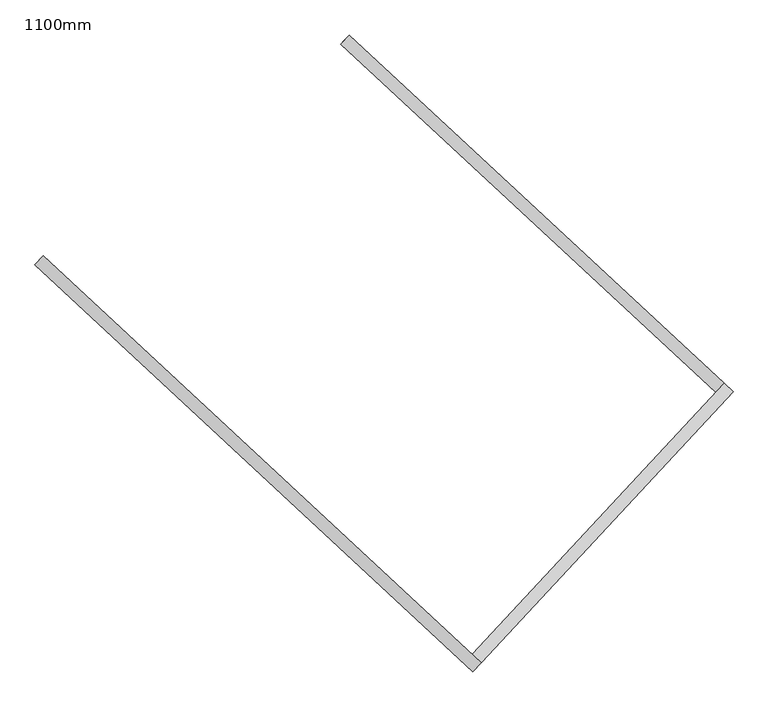
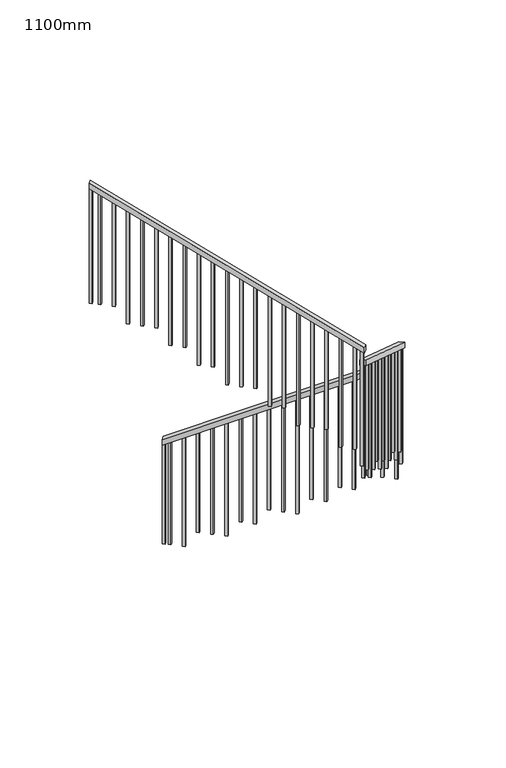
"""IFC4 building model written with IfcOpenShell, lengths in millimetres: railing geometry, 1100mm."""

import ifcopenshell
import ifcopenshell.guid

model = None  # the IFC model being written
_history = None  # IfcOwnerHistory: only IFC2X3 demands one
_inside = {}  # id of a spatial element -> (the spatial element, [elements in it])
_under = {}  # id of a project, library or spatial element -> (it, [spatial elements below it])
_declared = {}  # id of a project -> (the project, [libraries it declares])
_typed = {}  # id of a type object -> (the type object, [elements of that type])
_made_of = {}  # id of a material, layer set ... -> (it, [elements and type objects made of it])


def new_model(schema):
    """Start an empty IFC model of exactly this schema.

    Asked for "IFC4X3", IfcOpenShell would pick the latest addendum, in which some entities
    have other attributes; the version numbers below select the first issue.
    IFC2X3 requires an IfcOwnerHistory on every rooted entity: one is made here for all.
    """
    global model, _history
    if schema == "IFC4X3":
        model = ifcopenshell.file(schema_version=(4, 3, 0, 0))
    else:
        model = ifcopenshell.file(schema=schema)
    _inside.clear()
    _under.clear()
    _declared.clear()
    _typed.clear()
    _made_of.clear()
    _history = None
    if model.schema == "IFC2X3":
        org = make("IfcOrganization", Name="unknown")
        user = make(
            "IfcPersonAndOrganization",
            ThePerson=make("IfcPerson", FamilyName="unknown"),
            TheOrganization=org,
        )
        app = make(
            "IfcApplication",
            ApplicationDeveloper=org,
            Version="unknown",
            ApplicationFullName="unknown",
            ApplicationIdentifier="unknown",
        )
        _history = make(
            "IfcOwnerHistory",
            OwningUser=user,
            OwningApplication=app,
            ChangeAction="ADDED",
            CreationDate=0,
        )
    return model


def make(cls, **values):
    """One entity of the class cls with the attributes given. An attribute that is None is left unset."""
    return model.create_entity(
        cls, **{name: value for name, value in values.items() if value is not None}
    )


def rooted(cls, **values):
    """An entity with a GlobalId (a new one), such as an element, a storey or a relation."""
    return make(cls, GlobalId=ifcopenshell.guid.new(), OwnerHistory=_history, **values)


def si_unit(unit_type, name, prefix=None):
    """IfcSIUnit, for example si_unit("LENGTHUNIT", "METRE", prefix="MILLI")."""
    return make("IfcSIUnit", UnitType=unit_type, Prefix=prefix, Name=name)


def assignment(units):
    """IfcUnitAssignment: the units of a project."""
    return None if units is None else make("IfcUnitAssignment", Units=units)


def point(xyz):
    """IfcCartesianPoint."""
    return None if xyz is None else make("IfcCartesianPoint", Coordinates=xyz)


def direction(xyz):
    """IfcDirection."""
    return None if xyz is None else make("IfcDirection", DirectionRatios=xyz)


def frame(location, z_axis=None, x_axis=None):
    """IfcAxis2Placement3D, a coordinate frame: its origin and axes. An axis left out is left unset."""
    return make(
        "IfcAxis2Placement3D",
        Location=point(location),
        Axis=direction(z_axis),
        RefDirection=direction(x_axis),
    )


def origin():
    """The frame at (0, 0, 0) with its axes left unset."""
    return frame((0.0, 0.0, 0.0))


def place(relative_to, where):
    """IfcLocalPlacement: puts the frame where relative to a parent placement (None: the world)."""
    return make(
        "IfcLocalPlacement", PlacementRelTo=relative_to, RelativePlacement=where
    )


def context(
    kind, dimensions, precision=None, world=None, true_north=None, identifier=None
):
    """IfcGeometricRepresentationContext, for example the 3D "Model" context."""
    return make(
        "IfcGeometricRepresentationContext",
        ContextIdentifier=identifier,
        ContextType=kind,
        CoordinateSpaceDimension=dimensions,
        Precision=precision,
        WorldCoordinateSystem=world,
        TrueNorth=true_north,
    )


def project(units=None, contexts=None):
    """IfcProject with its units and contexts."""
    return rooted(
        "IfcProject",
        Name="project",
        RepresentationContexts=contexts,
        UnitsInContext=assignment(units),
    )


def spatial(cls, under=None, at=None, **own):
    """A site, building, storey or space (cls), placed at a placement, below another one or the project."""
    s = rooted(cls, ObjectPlacement=at, **own)
    if under is not None:
        _under.setdefault(under.id(), (under, []))[1].append(s)
    return s


def polyline(points):
    """IfcPolyline through the points."""
    return make("IfcPolyline", Points=[point(p) for p in points])


def outline(outer, holes=None, kind="AREA"):
    """IfcArbitraryClosedProfileDef: a profile drawn as a closed curve; with holes, ...WithVoids."""
    if holes is None:
        return make("IfcArbitraryClosedProfileDef", ProfileType=kind, OuterCurve=outer)
    return make(
        "IfcArbitraryProfileDefWithVoids",
        ProfileType=kind,
        OuterCurve=outer,
        InnerCurves=holes,
    )


def extrude(swept, where, along, depth):
    """IfcExtrudedAreaSolid: the profile swept, set in the frame where, extruded along a direction by depth."""
    return make(
        "IfcExtrudedAreaSolid",
        SweptArea=swept,
        Position=where,
        ExtrudedDirection=direction(along),
        Depth=depth,
    )


def shape(context_of_items, identifier, shape_type, items):
    """IfcShapeRepresentation: the items that make up one representation, for example the "Body"."""
    return make(
        "IfcShapeRepresentation",
        ContextOfItems=context_of_items,
        RepresentationIdentifier=identifier,
        RepresentationType=shape_type,
        Items=items,
    )


def source(mapping_origin, context_of_items, identifier, shape_type, items):
    """IfcRepresentationMap: a shape defined once, which mapped items show again and again."""
    return make(
        "IfcRepresentationMap",
        MappingOrigin=mapping_origin,
        MappedRepresentation=shape(context_of_items, identifier, shape_type, items),
    )


def transform(
    local_origin,
    x_axis=None,
    y_axis=None,
    z_axis=None,
    scale=None,
    scale2=None,
    scale3=None,
    uniform=True,
):
    """IfcCartesianTransformationOperator3D, or its non-uniform kind. x_axis, y_axis, z_axis: its Axis1, 2, 3."""
    if uniform:
        return make(
            "IfcCartesianTransformationOperator3D",
            Axis1=direction(x_axis),
            Axis2=direction(y_axis),
            LocalOrigin=point(local_origin),
            Scale=scale,
            Axis3=direction(z_axis),
        )
    return make(
        "IfcCartesianTransformationOperator3DnonUniform",
        Axis1=direction(x_axis),
        Axis2=direction(y_axis),
        LocalOrigin=point(local_origin),
        Scale=scale,
        Axis3=direction(z_axis),
        Scale2=scale2,
        Scale3=scale3,
    )


def mapped(mapping_source, mapping_target):
    """IfcMappedItem: shows the shape of a source again, moved by a transform."""
    return make(
        "IfcMappedItem", MappingSource=mapping_source, MappingTarget=mapping_target
    )


def made_of(thing, what):
    """Note that an element or type object is made of a material, layer set ...; save() writes the relation."""
    if what is not None:
        _made_of.setdefault(what.id(), (what, []))[1].append(thing)
    return thing


def element(
    cls,
    number,
    at=None,
    inside=None,
    cuts=None,
    type_object=None,
    material=None,
    context=None,
    identifier="Body",
    shape_type=None,
    held_by="IfcProductDefinitionShape",
    body=None,
    shapes=None,
    **own,
):
    """One element of the class cls, such as IfcWall. Its Tag is "e" and its number.

    at: its placement. inside: the storey or other place that contains it. cuts: it is an
    opening in that element (IfcRelVoidsElement). A single representation is given by context,
    identifier, shape_type and body (its items); several are given by shapes. held_by: the class
    of the entity that holds the representations. save() writes the other relations.
    """
    e = rooted(cls, Tag="e%d" % number, ObjectPlacement=at, **own)
    if body is not None:
        shapes = [shape(context, identifier, shape_type, body)]
    if shapes is not None:
        e.Representation = make(held_by, Representations=shapes)
    if inside is not None:
        _inside.setdefault(inside.id(), (inside, []))[1].append(e)
    if cuts is not None:
        rooted(
            "IfcRelVoidsElement", RelatingBuildingElement=cuts, RelatedOpeningElement=e
        )
    if type_object is not None:
        _typed.setdefault(type_object.id(), (type_object, []))[1].append(e)
    return made_of(e, material)


def aggregate(whole, parts):
    """IfcRelAggregates: a whole, such as a stair, and the parts it consists of."""
    return rooted("IfcRelAggregates", RelatingObject=whole, RelatedObjects=parts)


def save(model, path):
    """Write the relations noted so far, then the file.

    IfcRelAggregates (storeys below a building ...), IfcRelContainedInSpatialStructure (elements
    in a storey), IfcRelDefinesByType, IfcRelAssociatesMaterial and IfcRelDeclares: one each for
    every whole, place, type object, material and project.
    """
    for whole, parts in _under.values():
        aggregate(whole, parts)
    for where, things in _inside.values():
        rooted(
            "IfcRelContainedInSpatialStructure",
            RelatedElements=things,
            RelatingStructure=where,
        )
    for kind, things in _typed.values():
        rooted("IfcRelDefinesByType", RelatedObjects=things, RelatingType=kind)
    for what, things in _made_of.values():
        rooted("IfcRelAssociatesMaterial", RelatedObjects=things, RelatingMaterial=what)
    for by, libraries in _declared.values():
        rooted("IfcRelDeclares", RelatingContext=by, RelatedDefinitions=libraries)
    model.write(path)


def railing_1100mm_ddf0c5ac(model_context):
    return source(origin(), model_context, "Body", "SweptSolid", [
        extrude(outline(polyline([(27.7777778, -50.0000001), (0.0, 0.0), (2374.1723105, 0.0), (2401.9500883, -50.0000001), (27.7777778, -50.0000001)])), frame((-224137.7930562, 1139.9900228, 5889.4687214), z_axis=(0.6805831972167078, 0.7326708071612271, 0.0), x_axis=(0.6404695170817017, -0.5949367538529262, 0.48564293117894203)), (0.0, 0.0, 1.0), 50.0),
        extrude(outline(polyline([(-27.7777778, -50.0), (0.0, 0.0), (1716.853524, 0.0), (1689.0757462, -50.0000001), (-27.7777778, -50.0)])), frame((-222546.5453628, -269.8879642, 7265.8888889), z_axis=(-0.7326708071603808, 0.6805831972176187, 0.0), x_axis=(-0.5949367538540707, -0.6404695170813348, 0.4856429311780238)), (0.0, 0.0, 1.0), 50.0),
        extrude(outline(polyline([(-27.7777778, -50.0), (0.0, 0.0), (2774.5579271, 0.0), (2746.7801493, -50.0), (-27.7777778, -50.0)])), frame((-223601.9937851, -1406.113852, 8265.8888889), z_axis=(0.6805831972168361, 0.7326708071611079, 0.0), x_axis=(-0.6404695170818686, 0.5949367538532909, 0.48564293117827506)), (0.0, 0.0, 1.0), 50.0),
        extrude(outline(polyline([(1260.6353881, -25.0), (106.9444445, -25.0), (93.0555556, 0.0), (1260.6353881, 0.0), (1260.6353881, -25.0)])), frame((-225315.2628919, 202.4150466, 9607.3020548), z_axis=(0.6805831972168364, 0.7326708071611077, 0.0), x_axis=(0.0, 0.0, -1.0)), (0.0, 0.0, 1.0), 25.0),
        extrude(outline(polyline([(1191.1909436, -25.0), (106.9444444, -25.0), (93.0555555, 0.0), (1191.1909436, 0.0), (1191.1909436, -25.0)])), frame((-225223.6790411, 117.3421469, 9537.8576103), z_axis=(0.6805831972168364, 0.7326708071611077, 0.0), x_axis=(0.0, 0.0, -1.0)), (0.0, 0.0, 1.0), 25.0),
        extrude(outline(polyline([(1288.4131659, -25.0000001), (106.9444445, -25.0000001), (93.0555556, 0.0), (1288.4131659, 0.0), (1288.4131659, -25.0000001)])), frame((-225132.0951902, 32.2692473, 9468.4131659), z_axis=(0.6805831972168364, 0.7326708071611077, 0.0), x_axis=(0.0, 0.0, -1.0)), (0.0, 0.0, 1.0), 25.0),
        extrude(outline(polyline([(1218.9687214, -25.0), (106.9444444, -25.0), (93.0555555, 0.0), (1218.9687214, 0.0), (1218.9687214, -25.0)])), frame((-225040.5113393, -52.8036524, 9398.9687214), z_axis=(0.6805831972168364, 0.7326708071611077, 0.0), x_axis=(0.0, 0.0, -1.0)), (0.0, 0.0, 1.0), 25.0),
        extrude(outline(polyline([(1149.524277, -25.0000001), (106.9444445, -25.0000001), (93.0555556, 0.0), (1149.524277, 0.0), (1149.524277, -25.0000001)])), frame((-224948.9274884, -137.876552, 9329.524277), z_axis=(0.6805831972168364, 0.7326708071611077, 0.0), x_axis=(0.0, 0.0, -1.0)), (0.0, 0.0, 1.0), 25.0),
        extrude(outline(polyline([(1246.7464992, -25.0), (106.9444444, -25.0), (93.0555555, 0.0), (1246.7464992, 0.0), (1246.7464992, -25.0)])), frame((-224857.3436375, -222.9494517, 9260.0798325), z_axis=(0.6805831972168364, 0.7326708071611077, 0.0), x_axis=(0.0, 0.0, -1.0)), (0.0, 0.0, 1.0), 25.0),
        extrude(outline(polyline([(1177.3020548, -25.0000001), (106.9444444, -25.0000001), (93.0555555, 0.0), (1177.3020548, 0.0), (1177.3020548, -25.0000001)])), frame((-224765.7597866, -308.0223513, 9190.6353881), z_axis=(0.6805831972168364, 0.7326708071611077, 0.0), x_axis=(0.0, 0.0, -1.0)), (0.0, 0.0, 1.0), 25.0),
        extrude(outline(polyline([(1274.524277, -25.0), (106.9444445, -25.0), (93.0555556, 0.0), (1274.524277, 0.0), (1274.524277, -25.0)])), frame((-224674.1759357, -393.095251, 9121.1909437), z_axis=(0.6805831972168364, 0.7326708071611077, 0.0), x_axis=(0.0, 0.0, -1.0)), (0.0, 0.0, 1.0), 25.0),
        extrude(outline(polyline([(1205.0798325, -25.0), (106.9444444, -25.0), (93.0555555, 0.0), (1205.0798325, 0.0), (1205.0798325, -25.0)])), frame((-224582.5920848, -478.1681507, 9051.7464992), z_axis=(0.6805831972168364, 0.7326708071611077, 0.0), x_axis=(0.0, 0.0, -1.0)), (0.0, 0.0, 1.0), 25.0),
        extrude(outline(polyline([(1302.3020548, -25.0), (106.9444445, -25.0), (93.0555556, 0.0), (1302.3020548, 0.0), (1302.3020548, -25.0)])), frame((-224491.0082339, -563.2410503, 8982.3020548), z_axis=(0.6805831972168364, 0.7326708071611077, 0.0), x_axis=(0.0, 0.0, -1.0)), (0.0, 0.0, 1.0), 25.0),
        extrude(outline(polyline([(1232.8576103, -25.0), (106.9444444, -25.0), (93.0555555, 0.0), (1232.8576103, 0.0), (1232.8576103, -25.0)])), frame((-224399.424383, -648.31395, 8912.8576103), z_axis=(0.6805831972168364, 0.7326708071611077, 0.0), x_axis=(0.0, 0.0, -1.0)), (0.0, 0.0, 1.0), 25.0),
        extrude(outline(polyline([(1163.4131659, -25.0), (106.9444445, -25.0), (93.0555556, 0.0), (1163.4131659, 0.0), (1163.4131659, -25.0)])), frame((-224307.8405321, -733.3868496, 8843.4131659), z_axis=(0.6805831972168364, 0.7326708071611077, 0.0), x_axis=(0.0, 0.0, -1.0)), (0.0, 0.0, 1.0), 25.0),
        extrude(outline(polyline([(1260.6353881, -25.0), (106.9444444, -25.0), (93.0555555, 0.0), (1260.6353881, 0.0), (1260.6353881, -25.0)])), frame((-224216.2566812, -818.4597493, 8773.9687214), z_axis=(0.6805831972168364, 0.7326708071611077, 0.0), x_axis=(0.0, 0.0, -1.0)), (0.0, 0.0, 1.0), 25.0),
        extrude(outline(polyline([(1191.1909437, -25.0), (106.9444445, -25.0), (93.0555556, 0.0), (1191.1909437, 0.0), (1191.1909437, -25.0)])), frame((-224124.6728303, -903.5326489, 8704.524277), z_axis=(0.6805831972168364, 0.7326708071611077, 0.0), x_axis=(0.0, 0.0, -1.0)), (0.0, 0.0, 1.0), 25.0),
        extrude(outline(polyline([(1288.4131658, -25.0), (106.9444444, -25.0), (93.0555555, 0.0), (1288.4131658, 0.0), (1288.4131658, -25.0)])), frame((-224033.0889794, -988.6055486, 8635.0798325), z_axis=(0.6805831972168364, 0.7326708071611077, 0.0), x_axis=(0.0, 0.0, -1.0)), (0.0, 0.0, 1.0), 25.0),
        extrude(outline(polyline([(1218.9687214, -25.0), (106.9444444, -25.0), (93.0555556, 0.0), (1218.9687214, 0.0), (1218.9687214, -25.0)])), frame((-223941.5051285, -1073.6784482, 8565.6353881), z_axis=(0.6805831972168364, 0.7326708071611077, 0.0), x_axis=(0.0, 0.0, -1.0)), (0.0, 0.0, 1.0), 25.0),
        extrude(outline(polyline([(1149.524277, -25.0), (106.9444445, -25.0), (93.0555556, 0.0), (1149.524277, 0.0), (1149.524277, -25.0)])), frame((-223849.9212776, -1158.7513479, 8496.1909437), z_axis=(0.6805831972168364, 0.7326708071611077, 0.0), x_axis=(0.0, 0.0, -1.0)), (0.0, 0.0, 1.0), 25.0),
        extrude(outline(polyline([(1246.7464992, -25.0), (106.9444444, -25.0), (93.0555555, 0.0), (1246.7464992, 0.0), (1246.7464992, -25.0)])), frame((-223758.3374267, -1243.8242475, 8426.7464992), z_axis=(0.6805831972168364, 0.7326708071611077, 0.0), x_axis=(0.0, 0.0, -1.0)), (0.0, 0.0, 1.0), 25.0),
        extrude(outline(polyline([(1177.3020548, -24.9999999), (106.9444445, -24.9999999), (93.0555556, 0.0), (1177.3020548, 0.0), (1177.3020548, -24.9999999)])), frame((-223666.7535758, -1328.8971472, 8357.3020548), z_axis=(0.6805831972168364, 0.7326708071611077, 0.0), x_axis=(0.0, 0.0, -1.0)), (0.0, 0.0, 1.0), 25.0),
        extrude(outline(polyline([(1274.524277, -24.9999999), (106.9444445, -24.9999999), (93.0555556, 0.0), (1274.524277, 0.0), (1274.524277, -24.9999999)])), frame((-223559.5639638, -1342.0701148, 8121.1909437), z_axis=(-0.7326708071603812, 0.6805831972176183, 0.0), x_axis=(0.0, 0.0, -1.0000000000000002)), (0.0, 0.0, 1.0), 25.0),
        extrude(outline(polyline([(1205.0798325, -25.0), (106.9444444, -25.0), (93.0555555, 0.0), (1205.0798325, 0.0), (1205.0798325, -25.0)])), frame((-223474.4910642, -1250.4862639, 8051.7464992), z_axis=(-0.7326708071603812, 0.6805831972176183, 0.0), x_axis=(0.0, 0.0, -1.0000000000000002)), (0.0, 0.0, 1.0), 25.0),
        extrude(outline(polyline([(1302.3020548, -24.9999999), (106.9444445, -24.9999999), (93.0555556, 0.0), (1302.3020548, 0.0), (1302.3020548, -24.9999999)])), frame((-223389.4181645, -1158.902413, 7982.3020548), z_axis=(-0.7326708071603812, 0.6805831972176183, 0.0), x_axis=(0.0, 0.0, -1.0000000000000002)), (0.0, 0.0, 1.0), 25.0),
        extrude(outline(polyline([(1232.8576103, -25.0000001), (106.9444444, -25.0000001), (93.0555555, 0.0), (1232.8576103, 0.0), (1232.8576103, -25.0000001)])), frame((-223304.3452649, -1067.3185622, 7912.8576103), z_axis=(-0.7326708071603812, 0.6805831972176183, 0.0), x_axis=(0.0, 0.0, -1.0000000000000002)), (0.0, 0.0, 1.0), 25.0),
        extrude(outline(polyline([(1163.4131659, -25.0), (106.9444445, -25.0), (93.0555556, 0.0), (1163.4131659, 0.0), (1163.4131659, -25.0)])), frame((-223219.2723652, -975.7347113, 7843.4131659), z_axis=(-0.7326708071603812, 0.6805831972176183, 0.0), x_axis=(0.0, 0.0, -1.0000000000000002)), (0.0, 0.0, 1.0), 25.0),
        extrude(outline(polyline([(1260.6353881, -25.0000001), (106.9444444, -25.0000001), (93.0555555, 0.0), (1260.6353881, 0.0), (1260.6353881, -25.0000001)])), frame((-223134.1994656, -884.1508604, 7773.9687214), z_axis=(-0.7326708071603812, 0.6805831972176183, 0.0), x_axis=(0.0, 0.0, -1.0000000000000002)), (0.0, 0.0, 1.0), 25.0),
        extrude(outline(polyline([(1191.1909437, -25.0), (106.9444445, -25.0), (93.0555556, 0.0), (1191.1909437, 0.0), (1191.1909437, -25.0)])), frame((-223049.1265659, -792.5670095, 7704.524277), z_axis=(-0.7326708071603812, 0.6805831972176183, 0.0), x_axis=(0.0, 0.0, -1.0000000000000002)), (0.0, 0.0, 1.0), 25.0),
        extrude(outline(polyline([(1288.4131658, -25.0000001), (106.9444444, -25.0000001), (93.0555555, 0.0), (1288.4131658, 0.0), (1288.4131658, -25.0000001)])), frame((-222964.0536663, -700.9831586, 7635.0798325), z_axis=(-0.7326708071603812, 0.6805831972176183, 0.0), x_axis=(0.0, 0.0, -1.0000000000000002)), (0.0, 0.0, 1.0), 25.0),
        extrude(outline(polyline([(1218.9687214, -25.0), (106.9444444, -25.0), (93.0555556, 0.0), (1218.9687214, 0.0), (1218.9687214, -25.0)])), frame((-222878.9807666, -609.3993077, 7565.6353881), z_axis=(-0.7326708071603812, 0.6805831972176183, 0.0), x_axis=(0.0, 0.0, -1.0000000000000002)), (0.0, 0.0, 1.0), 25.0),
        extrude(outline(polyline([(1149.524277, -25.0000001), (106.9444445, -25.0000001), (93.0555556, 0.0), (1149.524277, 0.0), (1149.524277, -25.0000001)])), frame((-222793.907867, -517.8154568, 7496.1909437), z_axis=(-0.7326708071603812, 0.6805831972176183, 0.0), x_axis=(0.0, 0.0, -1.0000000000000002)), (0.0, 0.0, 1.0), 25.0),
        extrude(outline(polyline([(1246.7464992, -25.0), (106.9444444, -25.0), (93.0555555, 0.0), (1246.7464992, 0.0), (1246.7464992, -25.0)])), frame((-222708.8349673, -426.2316059, 7426.7464992), z_axis=(-0.7326708071603812, 0.6805831972176183, 0.0), x_axis=(0.0, 0.0, -1.0000000000000002)), (0.0, 0.0, 1.0), 25.0),
        extrude(outline(polyline([(1177.3020548, -25.0), (106.9444445, -25.0), (93.0555556, 0.0), (1177.3020548, 0.0), (1177.3020548, -25.0)])), frame((-222623.7620676, -334.647755, 7357.3020548), z_axis=(-0.7326708071603812, 0.6805831972176183, 0.0), x_axis=(0.0, 0.0, -1.0000000000000002)), (0.0, 0.0, 1.0), 25.0),
        extrude(outline(polyline([(106.9444445, 0.0), (1288.6353881, 0.0), (1288.6353881, -25.0000001), (93.0555556, -25.0000001), (106.9444445, 0.0)])), frame((-222627.3106116, -246.0471464, 7135.3020548), z_axis=(0.6805831972167099, 0.7326708071612251, 0.0), x_axis=(0.0, 0.0, -1.0)), (0.0, 0.0, 1.0), 25.0),
        extrude(outline(polyline([(106.9444444, 0.0), (1219.1909436, 0.0), (1219.1909436, -25.0), (93.0555555, -25.0), (106.9444444, 0.0)])), frame((-222718.8944625, -160.9742468, 7065.8576103), z_axis=(0.6805831972167099, 0.7326708071612251, 0.0), x_axis=(0.0, 0.0, -1.0)), (0.0, 0.0, 1.0), 25.0),
        extrude(outline(polyline([(106.9444445, 0.0), (1149.7464992, 0.0), (1149.7464992, -25.0000001), (93.0555556, -25.0000001), (106.9444445, 0.0)])), frame((-222810.4783134, -75.9013471, 6996.4131659), z_axis=(0.6805831972167099, 0.7326708071612251, 0.0), x_axis=(0.0, 0.0, -1.0)), (0.0, 0.0, 1.0), 25.0),
        extrude(outline(polyline([(106.9444444, 0.0), (1246.9687214, 0.0), (1246.9687214, -25.0), (93.0555555, -25.0), (106.9444444, 0.0)])), frame((-222902.0621643, 9.1715525, 6926.9687214), z_axis=(0.6805831972167099, 0.7326708071612251, 0.0), x_axis=(0.0, 0.0, -1.0)), (0.0, 0.0, 1.0), 25.0),
        extrude(outline(polyline([(106.9444445, 0.0), (1177.524277, 0.0), (1177.524277, -25.0000001), (93.0555556, -25.0000001), (106.9444445, 0.0)])), frame((-222993.6460152, 94.2444522, 6857.524277), z_axis=(0.6805831972167099, 0.7326708071612251, 0.0), x_axis=(0.0, 0.0, -1.0)), (0.0, 0.0, 1.0), 25.0),
        extrude(outline(polyline([(106.9444444, 0.0), (1274.7464992, 0.0), (1274.7464992, -25.0), (93.0555555, -25.0), (106.9444444, 0.0)])), frame((-223085.2298661, 179.3173518, 6788.0798325), z_axis=(0.6805831972167099, 0.7326708071612251, 0.0), x_axis=(0.0, 0.0, -1.0)), (0.0, 0.0, 1.0), 25.0),
        extrude(outline(polyline([(106.9444444, 0.0), (1205.3020548, 0.0), (1205.3020548, -25.0000001), (93.0555556, -25.0000001), (106.9444444, 0.0)])), frame((-223176.813717, 264.3902515, 6718.6353881), z_axis=(0.6805831972167099, 0.7326708071612251, 0.0), x_axis=(0.0, 0.0, -1.0)), (0.0, 0.0, 1.0), 25.0),
        extrude(outline(polyline([(106.9444445, 0.0), (1302.524277, 0.0), (1302.524277, -25.0), (93.0555556, -25.0), (106.9444445, 0.0)])), frame((-223268.3975679, 349.4631511, 6649.1909437), z_axis=(0.6805831972167099, 0.7326708071612251, 0.0), x_axis=(0.0, 0.0, -1.0)), (0.0, 0.0, 1.0), 25.0),
        extrude(outline(polyline([(106.9444444, 0.0), (1233.0798325, 0.0), (1233.0798325, -25.0), (93.0555555, -25.0), (106.9444444, 0.0)])), frame((-223359.9814188, 434.5360508, 6579.7464992), z_axis=(0.6805831972167099, 0.7326708071612251, 0.0), x_axis=(0.0, 0.0, -1.0)), (0.0, 0.0, 1.0), 25.0),
        extrude(outline(polyline([(106.9444445, 0.0), (1163.6353881, 0.0), (1163.6353881, -25.0), (93.0555556, -25.0), (106.9444445, 0.0)])), frame((-223451.5652697, 519.6089504, 6510.3020548), z_axis=(0.6805831972167099, 0.7326708071612251, 0.0), x_axis=(0.0, 0.0, -1.0)), (0.0, 0.0, 1.0), 25.0),
        extrude(outline(polyline([(106.9444444, 0.0), (1260.8576103, 0.0), (1260.8576103, -24.9999999), (93.0555555, -24.9999999), (106.9444444, 0.0)])), frame((-223543.1491205, 604.6818501, 6440.8576103), z_axis=(0.6805831972167099, 0.7326708071612251, 0.0), x_axis=(0.0, 0.0, -1.0)), (0.0, 0.0, 1.0), 25.0),
        extrude(outline(polyline([(106.9444445, 0.0), (1191.4131659, 0.0), (1191.4131659, -24.9999999), (93.0555556, -24.9999999), (106.9444445, 0.0)])), frame((-223634.7329714, 689.7547497, 6371.4131659), z_axis=(0.6805831972167099, 0.7326708071612251, 0.0), x_axis=(0.0, 0.0, -1.0)), (0.0, 0.0, 1.0), 25.0),
        extrude(outline(polyline([(106.9444444, 0.0), (1288.6353881, 0.0), (1288.6353881, -24.9999999), (93.0555555, -24.9999999), (106.9444444, 0.0)])), frame((-223726.3168223, 774.8276494, 6301.9687214), z_axis=(0.6805831972167099, 0.7326708071612251, 0.0), x_axis=(0.0, 0.0, -1.0)), (0.0, 0.0, 1.0), 25.0),
        extrude(outline(polyline([(106.9444445, 0.0), (1219.1909437, 0.0), (1219.1909437, -24.9999999), (93.0555556, -24.9999999), (106.9444445, 0.0)])), frame((-223817.9006732, 859.900549, 6232.524277), z_axis=(0.6805831972167099, 0.7326708071612251, 0.0), x_axis=(0.0, 0.0, -1.0)), (0.0, 0.0, 1.0), 25.0),
        extrude(outline(polyline([(106.9444444, 0.0), (1149.7464992, 0.0), (1149.7464992, -25.0), (93.0555555, -25.0), (106.9444444, 0.0)])), frame((-223909.4845241, 944.9734487, 6163.0798325), z_axis=(0.6805831972167099, 0.7326708071612251, 0.0), x_axis=(0.0, 0.0, -1.0)), (0.0, 0.0, 1.0), 25.0),
        extrude(outline(polyline([(106.9444444, 0.0), (1246.9687214, 0.0), (1246.9687214, -25.0), (93.0555556, -25.0), (106.9444444, 0.0)])), frame((-224001.068375, 1030.0463483, 6093.6353881), z_axis=(0.6805831972167099, 0.7326708071612251, 0.0), x_axis=(0.0, 0.0, -1.0)), (0.0, 0.0, 1.0), 25.0),
        extrude(outline(polyline([(106.9444445, 0.0), (1177.524277, 0.0), (1177.524277, -25.0), (93.0555556, -25.0), (106.9444445, 0.0)])), frame((-224092.6522259, 1115.119248, 6024.1909437), z_axis=(0.6805831972167099, 0.7326708071612251, 0.0), x_axis=(0.0, 0.0, -1.0)), (0.0, 0.0, 1.0), 25.0),
        extrude(outline(polyline([(1309.2464993, -25.0), (106.9444445, -25.0), (93.0555556, 0.0), (1309.2464993, 0.0), (1309.2464993, -25.0)])), frame((-223620.9616504, -1371.433597, 8322.5798326), z_axis=(0.6805831972168364, 0.7326708071611077, 0.0), x_axis=(0.0, 0.0, -1.0)), (0.0, 0.0, 1.0), 25.0),
        extrude(outline(polyline([(1309.2464993, -24.9999999), (106.9444445, -24.9999999), (93.0555556, 0.0), (1309.2464993, 0.0), (1309.2464993, -24.9999999)])), frame((-222581.2256178, -288.8558295, 7322.5798326), z_axis=(-0.7326708071603812, 0.6805831972176183, 0.0), x_axis=(0.0, 0.0, -1.0000000000000002)), (0.0, 0.0, 1.0), 25.0),
        extrude(outline(polyline([(1302.524277, -25.0), (106.9444445, -25.0), (93.0555556, 0.0), (1302.524277, 0.0), (1302.524277, -25.0)])), frame((-225370.5062708, 253.7310196, 9649.1909437), z_axis=(0.6805831972168364, 0.7326708071611077, 0.0), x_axis=(0.0, 0.0, -1.0)), (0.0, 0.0, 1.0), 25.0),
        extrude(outline(polyline([(106.9444445, 0.0), (1149.7464992, 0.0), (1149.7464992, -25.0000001), (93.0555556, -25.0000001), (106.9444445, 0.0)])), frame((-224129.2857663, 1149.1484079, 5996.4131659), z_axis=(0.6805831972167099, 0.7326708071612251, 0.0), x_axis=(0.0, 0.0, -1.0)), (0.0, 0.0, 1.0), 25.0),
    ])


if __name__ == "__main__":
    model = new_model("IFC4")
    model_context = context("Model", 3, world=origin())
    ifc_project = project(units=[si_unit("LENGTHUNIT", "METRE", prefix="MILLI")], contexts=[model_context])
    site = spatial("IfcSite", under=ifc_project)
    building = spatial("IfcBuilding", under=site)
    placement = place(None, origin())
    railing_1100mm_shape = railing_1100mm_ddf0c5ac(model_context)
    element("IfcRailing", 1, ObjectType="1100mm", at=placement, inside=building, context=model_context, shape_type="MappedRepresentation", body=[
        mapped(railing_1100mm_shape, transform((0.0, 0.0, 0.0), x_axis=(1.0, 0.0, 0.0), y_axis=(0.0, 1.0, 0.0), z_axis=(0.0, 0.0, 1.0))),
    ])
    save(model, "model.ifc")
